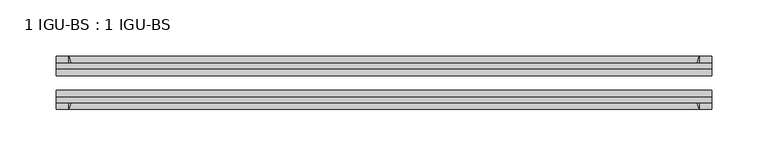
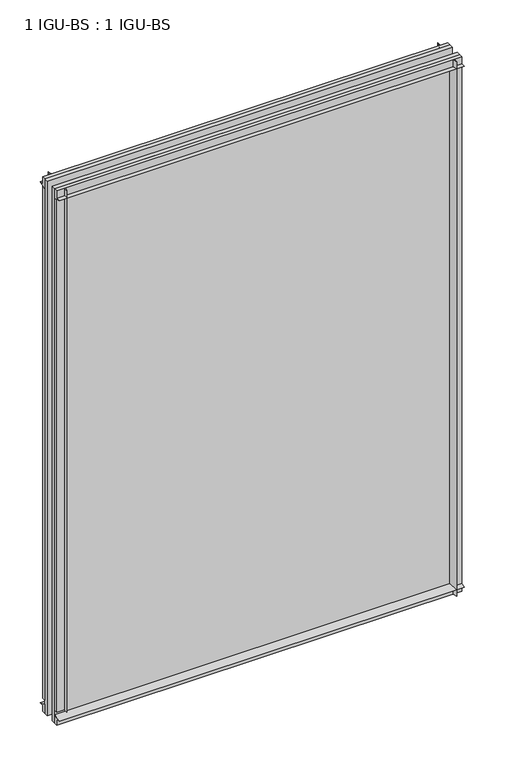
"""IFC4 building model written with IfcOpenShell, lengths in millimetres: plate geometry, 1 IGU-BS : 1 IGU-BS."""

from ifc_helpers import new_model, si_unit, point, frame, frame_2d, origin, origin_with_axes, place, context, project, spatial, polyline, circle_curve, trimmed, segment, composite_curve, outline, extrude, source, transform, mapped, element, save


def plate_1_igu_bs_1_igu_bs_6e93cb65(model_context):
    return source(origin(), model_context, "Body", "SweptSolid", [
        extrude(outline(composite_curve([segment(polyline([(-109.8637312, 799.3253), (-103.8947312, 799.3253), (-103.8947312, 810.4378), (-99.1195312, 810.4378), (-99.1195312, 795.4274095)]), True, "CONTINUOUS"), segment(trimmed(circle_curve(frame_2d((-115.4953516, 767.0455461)), 32.7673262), [point((-99.1195312, 795.4274095))], [point((-109.8637312, 799.3253))], True, "CARTESIAN"), True, "CONTINUOUS")], self_intersect=False)), frame((-290.5125, 0.0, 0.0), z_axis=(1.0, 0.0, 0.0), x_axis=(0.0, 1.0, 0.0)), (0.0, 0.0, 1.0), 581.025),
        extrude(outline(composite_curve([segment(polyline([(-73.7195312, 795.4274095), (-73.7195312, 810.4378), (-68.9443312, 810.4378), (-68.9443312, 799.3253), (-62.9753315, 799.3253)]), True, "CONTINUOUS"), segment(trimmed(circle_curve(frame_2d((-57.3437109, 767.0455461)), 32.7673262), [point((-62.9753315, 799.3253))], [point((-73.7195312, 795.4274095))], True, "CARTESIAN"), True, "CONTINUOUS")], self_intersect=False)), frame((-290.5125, 0.0, 0.0), z_axis=(1.0, 0.0, 0.0), x_axis=(0.0, 1.0, 0.0)), (0.0, 0.0, 1.0), 581.025),
        extrude(outline(composite_curve([segment(polyline([(-103.8947312, 0.0), (-103.8947312, 9.5265381), (-109.8637315, 9.5265381)]), True, "CONTINUOUS"), segment(trimmed(circle_curve(frame_2d((-115.5567965, 42.1919217)), 33.1577785), [point((-109.8637315, 9.5265381))], [point((-99.1195312, 13.3951409))], True, "CARTESIAN"), True, "CONTINUOUS"), segment(polyline([(-99.1195312, 13.3951409), (-99.1195312, 0.0), (-103.8947312, 0.0)]), True, "CONTINUOUS")], self_intersect=False)), frame((-290.5125, 0.0, 0.0), z_axis=(1.0, 0.0, 0.0), x_axis=(0.0, 1.0, 0.0)), (0.0, 0.0, 1.0), 581.025),
        extrude(outline(composite_curve([segment(polyline([(-68.9443312, 0.0), (-73.7195312, 0.0), (-73.7195312, 13.4228906)]), True, "CONTINUOUS"), segment(trimmed(circle_curve(frame_2d((-57.3437109, 41.804754)), 32.7673262), [point((-73.7195312, 13.4228906))], [point((-62.9841404, 9.5265381))], True, "CARTESIAN"), True, "CONTINUOUS"), segment(polyline([(-62.9841404, 9.5265381), (-68.9443312, 9.5265381), (-68.9443312, 0.0)]), True, "CONTINUOUS")], self_intersect=False)), frame((-290.5125, 0.0, 0.0), z_axis=(1.0, 0.0, 0.0), x_axis=(0.0, 1.0, 0.0)), (0.0, 0.0, 1.0), 581.025),
        extrude(outline(composite_curve([segment(polyline([(290.5125, -68.9443313), (290.5125, -73.7195313), (275.5021095, -73.7195313)]), True, "CONTINUOUS"), segment(trimmed(circle_curve(frame_2d((247.120246, -57.3437109)), 32.7673262), [point((275.5021095, -73.7195313))], [point((279.4, -62.9753313))], True, "CARTESIAN"), True, "CONTINUOUS"), segment(polyline([(279.4, -62.9753313), (279.4, -68.9443313), (290.5125, -68.9443313)]), True, "CONTINUOUS")], self_intersect=False)), origin_with_axes(), (0.0, 0.0, 1.0), 810.4378),
        extrude(outline(composite_curve([segment(polyline([(290.5125, -99.1195313), (290.5125, -103.8947312), (279.4, -103.8947312), (279.4, -109.8637312)]), True, "CONTINUOUS"), segment(trimmed(circle_curve(frame_2d((247.120246, -115.4953516)), 32.7673262), [point((279.4, -109.8637312))], [point((275.5021095, -99.1195313))], True, "CARTESIAN"), True, "CONTINUOUS"), segment(polyline([(275.5021095, -99.1195313), (290.5125, -99.1195313)]), True, "CONTINUOUS")], self_intersect=False)), origin_with_axes(), (0.0, 0.0, 1.0), 810.4378),
        extrude(outline(composite_curve([segment(polyline([(-290.5125, -68.9443313), (-279.4, -68.9443313), (-279.4, -62.9753312)]), True, "CONTINUOUS"), segment(trimmed(circle_curve(frame_2d((-247.120246, -57.3437109)), 32.7673262), [point((-279.4, -62.9753312))], [point((-275.5021095, -73.7195313))], True, "CARTESIAN"), True, "CONTINUOUS"), segment(polyline([(-275.5021095, -73.7195313), (-290.5125, -73.7195313), (-290.5125, -68.9443313)]), True, "CONTINUOUS")], self_intersect=False)), frame((0.0, 0.0, 19.8437501), z_axis=(0.0, 0.0, 1.0), x_axis=(1.0, 0.0, 0.0)), (0.0, 0.0, 1.0), 790.5940499),
        extrude(outline(composite_curve([segment(polyline([(-290.5125, -103.8947312), (-290.5125, -99.1195313), (-275.5021095, -99.1195313)]), True, "CONTINUOUS"), segment(trimmed(circle_curve(frame_2d((-247.120246, -115.4953516)), 32.7673262), [point((-275.5021095, -99.1195313))], [point((-279.4, -109.8637313))], True, "CARTESIAN"), True, "CONTINUOUS"), segment(polyline([(-279.4, -109.8637313), (-279.4, -103.8947312), (-290.5125, -103.8947312)]), True, "CONTINUOUS")], self_intersect=False)), frame((0.0, 0.0, 19.8437501), z_axis=(0.0, 0.0, 1.0), x_axis=(1.0, 0.0, 0.0)), (0.0, 0.0, 1.0), 790.5940499),
        extrude(outline(polyline([(-290.5125, -99.1195313), (-290.5125, -92.8203313), (290.5125, -92.8203313), (290.5125, -99.1195313), (-290.5125, -99.1195313)])), origin_with_axes(), (0.0, 0.0, 1.0), 810.4378),
        extrude(outline(polyline([(290.5125, -80.0187313), (-290.5125, -80.0187313), (-290.5125, -73.7195313), (290.5125, -73.7195313), (290.5125, -80.0187313)])), origin_with_axes(), (0.0, 0.0, 1.0), 810.4378),
    ])


if __name__ == "__main__":
    model = new_model("IFC4")
    model_context = context("Model", 3, world=origin())
    ifc_project = project(units=[si_unit("LENGTHUNIT", "METRE", prefix="MILLI")], contexts=[model_context])
    site = spatial("IfcSite", under=ifc_project)
    building = spatial("IfcBuilding", under=site)
    placement = place(None, origin())
    plate_1_igu_bs_1_igu_bs_shape = plate_1_igu_bs_1_igu_bs_6e93cb65(model_context)
    element("IfcPlate", 1, ObjectType="1 IGU-BS : 1 IGU-BS", at=placement, inside=building, context=model_context, shape_type="MappedRepresentation", body=[
        mapped(plate_1_igu_bs_1_igu_bs_shape, transform((0.0, 0.0, 0.0), x_axis=(1.0, 0.0, 0.0), y_axis=(0.0, 1.0, 0.0), z_axis=(0.0, 0.0, 1.0))),
    ])
    save(model, "model.ifc")
